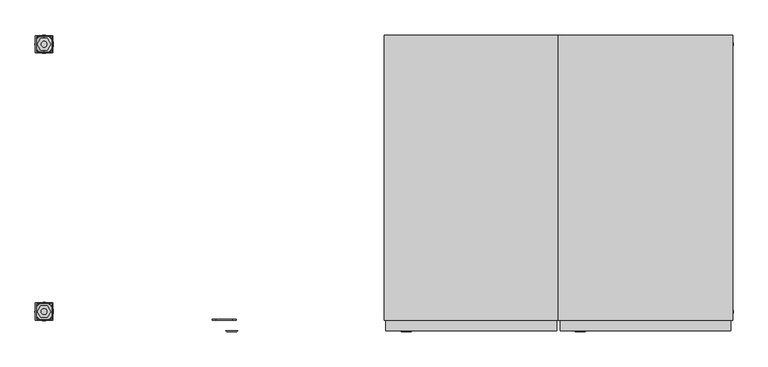
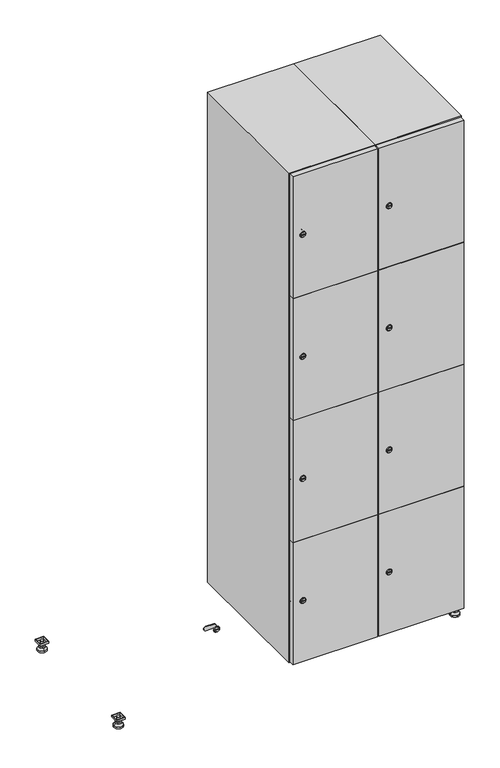
"""IFC4 building model written with IfcOpenShell, lengths in millimetres: furniture geometry."""

from ifc_helpers import new_model, si_unit, point, frame, frame_2d, origin, origin_with_axes, place, context, project, spatial, polyline, circle_curve, trimmed, segment, composite_curve, outline, extrude, faceted_brep, source, transform, mapped, element, save
from ifc_brep_helpers import plane_surface, revolved_surface, advanced_brep


def furniture_1b87c06c(model_context):
    return source(origin(), model_context, "Body", "SolidModel", [
        extrude(outline(polyline([(1000.0, 245.0), (1000.0, 215.0), (970.0, 215.0), (970.0, 245.0), (1000.0, 245.0)]), holes=[polyline([(998.0, 243.0), (972.0, 243.0), (972.0, 217.0), (998.0, 217.0), (998.0, 243.0)])]), frame((0.0, 0.0, 28.5), z_axis=(0.0, 0.0, 1.0), x_axis=(1.0, 0.0, 0.0)), (0.0, 0.0, 1.0), 6.5),
        extrude(outline(polyline([(970.0, -245.0), (970.0, -215.0), (1000.0, -215.0), (1000.0, -245.0), (970.0, -245.0)]), holes=[polyline([(972.0, -243.0), (998.0, -243.0), (998.0, -217.0), (972.0, -217.0), (972.0, -243.0)])]), frame((0.0, 0.0, 28.5), z_axis=(0.0, 0.0, 1.0), x_axis=(1.0, 0.0, 0.0)), (0.0, 0.0, 1.0), 6.5),
        extrude(outline(polyline([(-170.0, 245.0), (-170.0, 215.0), (-200.0, 215.0), (-200.0, 245.0), (-170.0, 245.0)]), holes=[polyline([(-172.0, 243.0), (-198.0, 243.0), (-198.0, 217.0), (-172.0, 217.0), (-172.0, 243.0)])]), frame((0.0, 0.0, 28.5), z_axis=(0.0, 0.0, 1.0), x_axis=(1.0, 0.0, 0.0)), (0.0, 0.0, 1.0), 6.5),
        extrude(outline(polyline([(-170.0, -215.0), (-170.0, -245.0), (-200.0, -245.0), (-200.0, -215.0), (-170.0, -215.0)]), holes=[polyline([(-198.0, -243.0), (-172.0, -243.0), (-172.0, -217.0), (-198.0, -217.0), (-198.0, -243.0)])]), frame((0.0, 0.0, 28.5), z_axis=(0.0, 0.0, 1.0), x_axis=(1.0, 0.0, 0.0)), (0.0, 0.0, 1.0), 6.5),
        extrude(outline(composite_curve([segment(trimmed(circle_curve(frame_2d((-185.0, 230.0)), 5.0), [point((-180.0, 230.0))], [point((-190.0, 230.0))], False, "CARTESIAN"), True, "CONTINUOUS"), segment(trimmed(circle_curve(frame_2d((-185.0, 230.0)), 5.0), [point((-190.0, 230.0))], [point((-180.0, 230.0))], False, "CARTESIAN"), True, "CONTINUOUS")], self_intersect=False)), frame((0.0, 0.0, 19.6), z_axis=(0.0, 0.0, 1.0), x_axis=(1.0, 0.0, 0.0)), (0.0, 0.0, 1.0), 15.4),
        extrude(outline(composite_curve([segment(trimmed(circle_curve(frame_2d((-185.0, -230.0)), 5.0), [point((-180.0, -230.0))], [point((-190.0, -230.0))], False, "CARTESIAN"), True, "CONTINUOUS"), segment(trimmed(circle_curve(frame_2d((-185.0, -230.0)), 5.0), [point((-190.0, -230.0))], [point((-180.0, -230.0))], False, "CARTESIAN"), True, "CONTINUOUS")], self_intersect=False)), frame((0.0, 0.0, 19.6), z_axis=(0.0, 0.0, 1.0), x_axis=(1.0, 0.0, 0.0)), (0.0, 0.0, 1.0), 15.4),
        extrude(outline(composite_curve([segment(trimmed(circle_curve(frame_2d((985.0, 230.0)), 5.0), [point((990.0, 230.0))], [point((980.0, 230.0))], False, "CARTESIAN"), True, "CONTINUOUS"), segment(trimmed(circle_curve(frame_2d((985.0, 230.0)), 5.0), [point((980.0, 230.0))], [point((990.0, 230.0))], False, "CARTESIAN"), True, "CONTINUOUS")], self_intersect=False)), frame((0.0, 0.0, 19.6), z_axis=(0.0, 0.0, 1.0), x_axis=(1.0, 0.0, 0.0)), (0.0, 0.0, 1.0), 15.4),
        extrude(outline(polyline([(973.4529946, 230.0), (979.2264973, 240.0), (990.7735027, 240.0), (996.5470054, 230.0), (990.7735027, 220.0), (979.2264973, 220.0), (973.4529946, 230.0)])), frame((0.0, 0.0, 13.6), z_axis=(0.0, 0.0, 1.0), x_axis=(1.0, 0.0, 0.0)), (0.0, 0.0, 1.0), 6.0),
        extrude(outline(composite_curve([segment(trimmed(circle_curve(frame_2d((985.0, -230.0)), 5.0), [point((990.0, -230.0))], [point((980.0, -230.0))], False, "CARTESIAN"), True, "CONTINUOUS"), segment(trimmed(circle_curve(frame_2d((985.0, -230.0)), 5.0), [point((980.0, -230.0))], [point((990.0, -230.0))], False, "CARTESIAN"), True, "CONTINUOUS")], self_intersect=False)), frame((0.0, 0.0, 19.6), z_axis=(0.0, 0.0, 1.0), x_axis=(1.0, 0.0, 0.0)), (0.0, 0.0, 1.0), 15.4),
        extrude(outline(polyline([(973.4529946, -230.0), (979.2264973, -220.0), (990.7735027, -220.0), (996.5470054, -230.0), (990.7735027, -240.0), (979.2264973, -240.0), (973.4529946, -230.0)])), frame((0.0, 0.0, 13.6), z_axis=(0.0, 0.0, 1.0), x_axis=(1.0, 0.0, 0.0)), (0.0, 0.0, 1.0), 6.0),
        extrude(outline(composite_curve([segment(trimmed(circle_curve(frame_2d((985.0, 230.0)), 5.0), [point((990.0, 230.0))], [point((980.0, 230.0))], False, "CARTESIAN"), True, "CONTINUOUS"), segment(trimmed(circle_curve(frame_2d((985.0, 230.0)), 5.0), [point((980.0, 230.0))], [point((990.0, 230.0))], False, "CARTESIAN"), True, "CONTINUOUS")], self_intersect=False)), frame((0.0, 0.0, 12.1), z_axis=(0.0, 0.0, 1.0), x_axis=(1.0, 0.0, 0.0)), (0.0, 0.0, 1.0), 1.5),
        extrude(outline(composite_curve([segment(trimmed(circle_curve(frame_2d((985.0, -230.0)), 5.0), [point((990.0, -230.0))], [point((980.0, -230.0))], False, "CARTESIAN"), True, "CONTINUOUS"), segment(trimmed(circle_curve(frame_2d((985.0, -230.0)), 5.0), [point((980.0, -230.0))], [point((990.0, -230.0))], False, "CARTESIAN"), True, "CONTINUOUS")], self_intersect=False)), frame((0.0, 0.0, 12.1), z_axis=(0.0, 0.0, 1.0), x_axis=(1.0, 0.0, 0.0)), (0.0, 0.0, 1.0), 1.5),
        extrude(outline(polyline([(-196.5470054, 230.0), (-190.7735027, 240.0), (-179.2264973, 240.0), (-173.4529946, 230.0), (-179.2264973, 220.0), (-190.7735027, 220.0), (-196.5470054, 230.0)])), frame((0.0, 0.0, 13.6), z_axis=(0.0, 0.0, 1.0), x_axis=(1.0, 0.0, 0.0)), (0.0, 0.0, 1.0), 6.0),
        extrude(outline(polyline([(-196.5470054, -230.0), (-190.7735027, -220.0), (-179.2264973, -220.0), (-173.4529946, -230.0), (-179.2264973, -240.0), (-190.7735027, -240.0), (-196.5470054, -230.0)])), frame((0.0, 0.0, 13.6), z_axis=(0.0, 0.0, 1.0), x_axis=(1.0, 0.0, 0.0)), (0.0, 0.0, 1.0), 6.0),
        extrude(outline(composite_curve([segment(trimmed(circle_curve(frame_2d((-185.0, 230.0)), 5.0), [point((-185.0, 235.0))], [point((-185.0, 225.0))], False, "CARTESIAN"), True, "CONTINUOUS"), segment(trimmed(circle_curve(frame_2d((-185.0, 230.0)), 5.0), [point((-185.0, 225.0))], [point((-185.0, 235.0))], False, "CARTESIAN"), True, "CONTINUOUS")], self_intersect=False)), frame((0.0, 0.0, 12.1), z_axis=(0.0, 0.0, 1.0), x_axis=(1.0, 0.0, 0.0)), (0.0, 0.0, 1.0), 1.5),
        extrude(outline(composite_curve([segment(trimmed(circle_curve(frame_2d((-185.0, -230.0)), 5.0), [point((-180.0, -230.0))], [point((-190.0, -230.0))], False, "CARTESIAN"), True, "CONTINUOUS"), segment(trimmed(circle_curve(frame_2d((-185.0, -230.0)), 5.0), [point((-190.0, -230.0))], [point((-180.0, -230.0))], False, "CARTESIAN"), True, "CONTINUOUS")], self_intersect=False)), frame((0.0, 0.0, 12.1), z_axis=(0.0, 0.0, 1.0), x_axis=(1.0, 0.0, 0.0)), (0.0, 0.0, 1.0), 1.5),
        extrude(outline(composite_curve([segment(trimmed(circle_curve(frame_2d((985.0, 230.0)), 15.75), [point((1000.75, 230.0))], [point((969.25, 230.0))], False, "CARTESIAN"), True, "CONTINUOUS"), segment(trimmed(circle_curve(frame_2d((985.0, 230.0)), 15.75), [point((969.25, 230.0))], [point((1000.75, 230.0))], False, "CARTESIAN"), True, "CONTINUOUS")], self_intersect=False)), origin_with_axes(), (0.0, 0.0, 1.0), 5.1),
        extrude(outline(composite_curve([segment(trimmed(circle_curve(frame_2d((985.0, -230.0)), 15.75), [point((985.0, -214.25))], [point((985.0, -245.75))], False, "CARTESIAN"), True, "CONTINUOUS"), segment(trimmed(circle_curve(frame_2d((985.0, -230.0)), 15.75), [point((985.0, -245.75))], [point((985.0, -214.25))], False, "CARTESIAN"), True, "CONTINUOUS")], self_intersect=False)), origin_with_axes(), (0.0, 0.0, 1.0), 5.1),
        extrude(outline(composite_curve([segment(trimmed(circle_curve(frame_2d((-185.0, -230.0)), 15.75), [point((-169.25, -230.0))], [point((-200.75, -230.0))], False, "CARTESIAN"), True, "CONTINUOUS"), segment(trimmed(circle_curve(frame_2d((-185.0, -230.0)), 15.75), [point((-200.75, -230.0))], [point((-169.25, -230.0))], False, "CARTESIAN"), True, "CONTINUOUS")], self_intersect=False)), origin_with_axes(), (0.0, 0.0, 1.0), 5.1),
        extrude(outline(composite_curve([segment(trimmed(circle_curve(frame_2d((-185.0, 230.0)), 15.75), [point((-169.25, 230.0))], [point((-200.75, 230.0))], False, "CARTESIAN"), True, "CONTINUOUS"), segment(trimmed(circle_curve(frame_2d((-185.0, 230.0)), 15.75), [point((-200.75, 230.0))], [point((-169.25, 230.0))], False, "CARTESIAN"), True, "CONTINUOUS")], self_intersect=False)), origin_with_axes(), (0.0, 0.0, 1.0), 5.1),
        advanced_brep(
        [(-185.0, 239.5, 12.1), (-185.0, 220.5, 12.1), (-185.0, 214.25, 5.1), (-185.0, 245.75, 5.1)],
        [
            (0, 1, circle_curve(frame((-185.0, 230.0, 12.1), z_axis=(0.0, 0.0, -1.0), x_axis=(0.0, 1.0, 0.0)), 9.5)),
            (1, 2),
            (2, 3, circle_curve(frame((-185.0, 230.0, 5.1), z_axis=(0.0, 0.0, 1.0), x_axis=(0.0, 1.0, 0.0)), 15.75)),
            (3, 0),
            (1, 0, circle_curve(frame((-185.0, 230.0, 12.1), z_axis=(0.0, 0.0, -1.0), x_axis=(0.0, -1.0, 0.0)), 9.5)),
            (3, 2, circle_curve(frame((-185.0, 230.0, 5.1), z_axis=(0.0, 0.0, 1.0), x_axis=(0.0, -1.0, 0.0)), 15.75)),
        ],
        [
            revolved_surface(polyline([(-185.0, 220.5, 12.099999999999998), (-185.0, 214.25, 5.099999999999998)]), (-185.0, 230.0, 22.74), (0.0, 0.0, -1.0)),
            revolved_surface(polyline([(-185.0, 239.5, 12.099999999999998), (-185.0, 245.75, 5.099999999999998)]), (-185.0, 230.0, 22.74), (0.0, 0.0, -1.0)),
            plane_surface(frame((-185.0, 230.0, 5.1), z_axis=(0.0, 0.0, -1.0), x_axis=(1.0, 0.0, 0.0))),
            plane_surface(frame((-185.0, 230.0, 12.1), z_axis=(0.0, 0.0, 1.0), x_axis=(1.0, 0.0, 0.0))),
        ],
        [
            (0, [[1, 2, 3, 4]]),
            (1, [[5, -4, 6, -2]]),
            (2, [[-3, -6]]),
            (3, [[-5, -1]]),
        ],
    ),
        advanced_brep(
        [(985.0, 239.5, 12.1), (985.0, 220.5, 12.1), (985.0, 214.25, 5.1), (985.0, 245.75, 5.1)],
        [
            (0, 1, circle_curve(frame((985.0, 230.0, 12.1), z_axis=(0.0, 0.0, -1.0), x_axis=(0.0, 1.0, 0.0)), 9.5)),
            (1, 2),
            (2, 3, circle_curve(frame((985.0, 230.0, 5.1), z_axis=(0.0, 0.0, 1.0), x_axis=(0.0, 1.0, 0.0)), 15.75)),
            (3, 0),
            (1, 0, circle_curve(frame((985.0, 230.0, 12.1), z_axis=(0.0, 0.0, -1.0), x_axis=(0.0, -1.0, 0.0)), 9.5)),
            (3, 2, circle_curve(frame((985.0, 230.0, 5.1), z_axis=(0.0, 0.0, 1.0), x_axis=(0.0, -1.0, 0.0)), 15.75)),
        ],
        [
            revolved_surface(polyline([(985.0, 220.5, 12.099999999999998), (985.0, 214.25, 5.099999999999998)]), (985.0, 230.0, 22.74), (0.0, 0.0, -1.0)),
            revolved_surface(polyline([(985.0, 239.5, 12.099999999999998), (985.0, 245.75, 5.099999999999998)]), (985.0, 230.0, 22.74), (0.0, 0.0, -1.0)),
            plane_surface(frame((985.0, 230.0, 5.1), z_axis=(0.0, 0.0, -1.0), x_axis=(1.0, 0.0, 0.0))),
            plane_surface(frame((985.0, 230.0, 12.1), z_axis=(0.0, 0.0, 1.0), x_axis=(1.0, 0.0, 0.0))),
        ],
        [
            (0, [[1, 2, 3, 4]]),
            (1, [[5, -4, 6, -2]]),
            (2, [[-3, -6]]),
            (3, [[-5, -1]]),
        ],
    ),
        advanced_brep(
        [(1000.75, -230.0, 5.1), (969.25, -230.0, 5.1), (975.5, -230.0, 12.1), (994.5, -230.0, 12.1)],
        [
            (0, 1, circle_curve(frame((985.0, -230.0, 5.1), z_axis=(0.0, 0.0, 1.0), x_axis=(1.0, 0.0, 0.0)), 15.75)),
            (1, 2),
            (2, 3, circle_curve(frame((985.0, -230.0, 12.1), z_axis=(0.0, 0.0, -1.0), x_axis=(1.0, 0.0, 0.0)), 9.5)),
            (3, 0),
            (1, 0, circle_curve(frame((985.0, -230.0, 5.1), z_axis=(0.0, 0.0, 1.0), x_axis=(-1.0, 0.0, 0.0)), 15.75)),
            (3, 2, circle_curve(frame((985.0, -230.0, 12.1), z_axis=(0.0, 0.0, -1.0), x_axis=(-1.0, 0.0, 0.0)), 9.5)),
        ],
        [
            revolved_surface(polyline([(994.5, -230.0, 12.099999999999998), (1000.75, -230.0, 5.099999999999998)]), (985.0, -230.0, 22.74), (0.0, 0.0, -1.0)),
            revolved_surface(polyline([(975.5, -230.0, 12.099999999999998), (969.25, -230.0, 5.099999999999998)]), (985.0, -230.0, 22.74), (0.0, 0.0, -1.0)),
            plane_surface(frame((985.0, -230.0, 12.1), z_axis=(0.0, 0.0, 1.0), x_axis=(0.0, 1.0, 0.0))),
            plane_surface(frame((985.0, -230.0, 5.1), z_axis=(0.0, 0.0, -1.0), x_axis=(0.0, 1.0, 0.0))),
        ],
        [
            (0, [[1, 2, 3, 4]]),
            (1, [[5, -4, 6, -2]]),
            (2, [[-3, -6]]),
            (3, [[-5, -1]]),
        ],
    ),
        advanced_brep(
        [(-169.25, -230.0, 5.1), (-200.75, -230.0, 5.1), (-194.5, -230.0, 12.1), (-175.5, -230.0, 12.1)],
        [
            (0, 1, circle_curve(frame((-185.0, -230.0, 5.1), z_axis=(0.0, 0.0, 1.0), x_axis=(1.0, 0.0, 0.0)), 15.75)),
            (1, 2),
            (2, 3, circle_curve(frame((-185.0, -230.0, 12.1), z_axis=(0.0, 0.0, -1.0), x_axis=(1.0, 0.0, 0.0)), 9.5)),
            (3, 0),
            (1, 0, circle_curve(frame((-185.0, -230.0, 5.1), z_axis=(0.0, 0.0, 1.0), x_axis=(-1.0, 0.0, 0.0)), 15.75)),
            (3, 2, circle_curve(frame((-185.0, -230.0, 12.1), z_axis=(0.0, 0.0, -1.0), x_axis=(-1.0, 0.0, 0.0)), 9.5)),
        ],
        [
            revolved_surface(polyline([(-175.5, -230.0, 12.099999999999998), (-169.25, -230.0, 5.099999999999998)]), (-185.0, -230.0, 22.74), (0.0, 0.0, -1.0)),
            revolved_surface(polyline([(-194.5, -230.0, 12.099999999999998), (-200.75, -230.0, 5.099999999999998)]), (-185.0, -230.0, 22.74), (0.0, 0.0, -1.0)),
            plane_surface(frame((-185.0, -230.0, 12.1), z_axis=(0.0, 0.0, 1.0), x_axis=(0.0, 1.0, 0.0))),
            plane_surface(frame((-185.0, -230.0, 5.1), z_axis=(0.0, 0.0, -1.0), x_axis=(0.0, 1.0, 0.0))),
        ],
        [
            (0, [[1, 2, 3, 4]]),
            (1, [[5, -4, 6, -2]]),
            (2, [[-3, -6]]),
            (3, [[-5, -1]]),
        ],
    ),
        extrude(outline(composite_curve([segment(trimmed(circle_curve(frame_2d((262.25, 711.2010534)), 7.0), [point((269.25, 711.2010534))], [point((255.25, 711.2010534))], False, "CARTESIAN"), True, "CONTINUOUS"), segment(polyline([(255.25, 711.2010534), (255.25, 739.2010534)]), True, "CONTINUOUS"), segment(trimmed(circle_curve(frame_2d((262.25, 739.2010534)), 7.0), [point((255.25, 739.2010534))], [point((269.25, 739.2010534))], False, "CARTESIAN"), True, "CONTINUOUS"), segment(polyline([(269.25, 739.2010534), (269.25, 711.2010534)]), True, "CONTINUOUS")], self_intersect=False)), frame((0.0, -245.0, 0.0), z_axis=(0.0, 1.0, 0.0), x_axis=(0.0, 0.0, 1.0)), (0.0, 0.0, 1.0), 2.0),
        advanced_brep(
        [(746.5, -265.2, 262.25), (729.5, -265.2, 262.25), (733.0, -265.2, 261.0), (733.0, -265.2, 263.5), (743.0, -265.2, 263.5), (743.0, -265.2, 261.0), (748.5, -263.0, 262.25), (727.5, -263.0, 262.25), (733.0, -263.0, 263.5), (733.0, -263.0, 261.0), (743.0, -263.0, 261.0), (743.0, -263.0, 263.5)],
        [
            (0, 1, circle_curve(frame((738.0, -265.2, 262.25), z_axis=(0.0, -1.0, 0.0), x_axis=(1.0, 0.0, 0.0)), 8.5)),
            (1, 0, circle_curve(frame((738.0, -265.2, 262.25), z_axis=(0.0, -1.0, 0.0), x_axis=(-1.0, 0.0, 0.0)), 8.5)),
            (2, 3),
            (3, 4),
            (4, 5),
            (5, 2),
            (6, 7, circle_curve(frame((738.0, -263.0, 262.25), z_axis=(0.0, 1.0, 0.0), x_axis=(-1.0, 0.0, 0.0)), 10.5)),
            (7, 6, circle_curve(frame((738.0, -263.0, 262.25), z_axis=(0.0, 1.0, 0.0), x_axis=(1.0, 0.0, 0.0)), 10.5)),
            (8, 9),
            (9, 10),
            (10, 11),
            (11, 8),
            (0, 6),
            (7, 1),
            (8, 3),
            (2, 9),
            (11, 4),
            (10, 5),
        ],
        [
            plane_surface(frame((738.0, -265.2, 262.25), z_axis=(0.0, -1.0, 0.0), x_axis=(0.0, 0.0, 1.0))),
            plane_surface(frame((738.0, -263.0, 262.25), z_axis=(0.0, 1.0, 0.0), x_axis=(0.0, 0.0, 1.0))),
            revolved_surface(polyline([(746.5, -265.2, 262.25), (748.5, -263.0, 262.25)]), (738.0, -274.55, 262.25), (0.0, 1.0, 0.0)),
            revolved_surface(polyline([(729.5, -265.2, 262.25), (727.5, -263.0, 262.25)]), (738.0, -274.55, 262.25), (0.0, 1.0, 0.0)),
            plane_surface(frame((733.0, -263.0, 261.0), z_axis=(1.0, 0.0, 0.0), x_axis=(0.0, -1.0, 0.0))),
            plane_surface(frame((733.0, -263.0, 263.5), z_axis=(0.0, 0.0, -1.0), x_axis=(0.0, -1.0, 0.0))),
            plane_surface(frame((743.0, -263.0, 263.5), z_axis=(-1.0, 0.0, 0.0), x_axis=(0.0, -1.0, 0.0))),
            plane_surface(frame((743.0, -263.0, 261.0), z_axis=(0.0, 0.0, 1.0), x_axis=(0.0, -1.0, 0.0))),
        ],
        [
            (0, [[1, 2], [3, 4, 5, 6]]),
            (1, [[7, 8], [9, 10, 11, 12]]),
            (2, [[-1, 13, -8, 14]]),
            (3, [[-2, -14, -7, -13]]),
            (4, [[15, -3, 16, -9]]),
            (5, [[-15, -12, 17, -4]]),
            (6, [[-17, -11, 18, -5]]),
            (7, [[-16, -6, -18, -10]]),
        ],
    ),
        extrude(outline(composite_curve([segment(trimmed(circle_curve(frame_2d((710.75, 711.2010534)), 7.0), [point((717.75, 711.2010534))], [point((703.75, 711.2010534))], False, "CARTESIAN"), True, "CONTINUOUS"), segment(polyline([(703.75, 711.2010534), (703.75, 739.2010534)]), True, "CONTINUOUS"), segment(trimmed(circle_curve(frame_2d((710.75, 739.2010534)), 7.0), [point((703.75, 739.2010534))], [point((717.75, 739.2010534))], False, "CARTESIAN"), True, "CONTINUOUS"), segment(polyline([(717.75, 739.2010534), (717.75, 711.2010534)]), True, "CONTINUOUS")], self_intersect=False)), frame((0.0, -245.0, 0.0), z_axis=(0.0, 1.0, 0.0), x_axis=(0.0, 0.0, 1.0)), (0.0, 0.0, 1.0), 2.0),
        advanced_brep(
        [(746.5, -265.2, 710.75), (729.5, -265.2, 710.75), (733.0, -265.2, 709.5), (733.0, -265.2, 712.0), (743.0, -265.2, 712.0), (743.0, -265.2, 709.5), (748.5, -263.0, 710.75), (727.5, -263.0, 710.75), (733.0, -263.0, 712.0), (733.0, -263.0, 709.5), (743.0, -263.0, 709.5), (743.0, -263.0, 712.0)],
        [
            (0, 1, circle_curve(frame((738.0, -265.2, 710.75), z_axis=(0.0, -1.0, 0.0), x_axis=(1.0, 0.0, 0.0)), 8.5)),
            (1, 0, circle_curve(frame((738.0, -265.2, 710.75), z_axis=(0.0, -1.0, 0.0), x_axis=(-1.0, 0.0, 0.0)), 8.5)),
            (2, 3),
            (3, 4),
            (4, 5),
            (5, 2),
            (6, 7, circle_curve(frame((738.0, -263.0, 710.75), z_axis=(0.0, 1.0, 0.0), x_axis=(-1.0, 0.0, 0.0)), 10.5)),
            (7, 6, circle_curve(frame((738.0, -263.0, 710.75), z_axis=(0.0, 1.0, 0.0), x_axis=(1.0, 0.0, 0.0)), 10.5)),
            (8, 9),
            (9, 10),
            (10, 11),
            (11, 8),
            (0, 6),
            (7, 1),
            (8, 3),
            (2, 9),
            (11, 4),
            (10, 5),
        ],
        [
            plane_surface(frame((738.0, -265.2, 710.75), z_axis=(0.0, -1.0, 0.0), x_axis=(0.0, 0.0, 1.0))),
            plane_surface(frame((738.0, -263.0, 710.75), z_axis=(0.0, 1.0, 0.0), x_axis=(0.0, 0.0, 1.0))),
            revolved_surface(polyline([(746.5, -265.2, 710.75), (748.5, -263.0, 710.75)]), (738.0, -274.55, 710.75), (0.0, 1.0, 0.0)),
            revolved_surface(polyline([(729.5, -265.2, 710.75), (727.5, -263.0, 710.75)]), (738.0, -274.55, 710.75), (0.0, 1.0, 0.0)),
            plane_surface(frame((733.0, -263.0, 709.5), z_axis=(1.0, 0.0, 0.0), x_axis=(0.0, -1.0, 0.0))),
            plane_surface(frame((733.0, -263.0, 712.0), z_axis=(0.0, 0.0, -1.0), x_axis=(0.0, -1.0, 0.0))),
            plane_surface(frame((743.0, -263.0, 712.0), z_axis=(-1.0, 0.0, 0.0), x_axis=(0.0, -1.0, 0.0))),
            plane_surface(frame((743.0, -263.0, 709.5), z_axis=(0.0, 0.0, 1.0), x_axis=(0.0, -1.0, 0.0))),
        ],
        [
            (0, [[1, 2], [3, 4, 5, 6]]),
            (1, [[7, 8], [9, 10, 11, 12]]),
            (2, [[-1, 13, -8, 14]]),
            (3, [[-2, -14, -7, -13]]),
            (4, [[15, -3, 16, -9]]),
            (5, [[-15, -12, 17, -4]]),
            (6, [[-17, -11, 18, -5]]),
            (7, [[-16, -6, -18, -10]]),
        ],
    ),
        extrude(outline(composite_curve([segment(trimmed(circle_curve(frame_2d((1159.25, 711.2010534)), 7.0), [point((1166.25, 711.2010534))], [point((1152.25, 711.2010534))], False, "CARTESIAN"), True, "CONTINUOUS"), segment(polyline([(1152.25, 711.2010534), (1152.25, 739.2010534)]), True, "CONTINUOUS"), segment(trimmed(circle_curve(frame_2d((1159.25, 739.2010534)), 7.0), [point((1152.25, 739.2010534))], [point((1166.25, 739.2010534))], False, "CARTESIAN"), True, "CONTINUOUS"), segment(polyline([(1166.25, 739.2010534), (1166.25, 711.2010534)]), True, "CONTINUOUS")], self_intersect=False)), frame((0.0, -245.0, 0.0), z_axis=(0.0, 1.0, 0.0), x_axis=(0.0, 0.0, 1.0)), (0.0, 0.0, 1.0), 2.0),
        advanced_brep(
        [(746.5, -265.2, 1159.25), (729.5, -265.2, 1159.25), (733.0, -265.2, 1158.0), (733.0, -265.2, 1160.5), (743.0, -265.2, 1160.5), (743.0, -265.2, 1158.0), (748.5, -263.0, 1159.25), (727.5, -263.0, 1159.25), (733.0, -263.0, 1160.5), (733.0, -263.0, 1158.0), (743.0, -263.0, 1158.0), (743.0, -263.0, 1160.5)],
        [
            (0, 1, circle_curve(frame((738.0, -265.2, 1159.25), z_axis=(0.0, -1.0, 0.0), x_axis=(1.0, 0.0, 0.0)), 8.5)),
            (1, 0, circle_curve(frame((738.0, -265.2, 1159.25), z_axis=(0.0, -1.0, 0.0), x_axis=(-1.0, 0.0, 0.0)), 8.5)),
            (2, 3),
            (3, 4),
            (4, 5),
            (5, 2),
            (6, 7, circle_curve(frame((738.0, -263.0, 1159.25), z_axis=(0.0, 1.0, 0.0), x_axis=(-1.0, 0.0, 0.0)), 10.5)),
            (7, 6, circle_curve(frame((738.0, -263.0, 1159.25), z_axis=(0.0, 1.0, 0.0), x_axis=(1.0, 0.0, 0.0)), 10.5)),
            (8, 9),
            (9, 10),
            (10, 11),
            (11, 8),
            (0, 6),
            (7, 1),
            (8, 3),
            (2, 9),
            (11, 4),
            (10, 5),
        ],
        [
            plane_surface(frame((738.0, -265.2, 1159.25), z_axis=(0.0, -1.0, 0.0), x_axis=(0.0, 0.0, 1.0))),
            plane_surface(frame((738.0, -263.0, 1159.25), z_axis=(0.0, 1.0, 0.0), x_axis=(0.0, 0.0, 1.0))),
            revolved_surface(polyline([(746.5, -265.2, 1159.25), (748.5, -263.0, 1159.25)]), (738.0, -274.55, 1159.25), (0.0, 1.0, 0.0)),
            revolved_surface(polyline([(729.5, -265.2, 1159.25), (727.5, -263.0, 1159.25)]), (738.0, -274.55, 1159.25), (0.0, 1.0, 0.0)),
            plane_surface(frame((733.0, -263.0, 1158.0), z_axis=(1.0, 0.0, 0.0), x_axis=(0.0, -1.0, 0.0))),
            plane_surface(frame((733.0, -263.0, 1160.5), z_axis=(0.0, 0.0, -1.0), x_axis=(0.0, -1.0, 0.0))),
            plane_surface(frame((743.0, -263.0, 1160.5), z_axis=(-1.0, 0.0, 0.0), x_axis=(0.0, -1.0, 0.0))),
            plane_surface(frame((743.0, -263.0, 1158.0), z_axis=(0.0, 0.0, 1.0), x_axis=(0.0, -1.0, 0.0))),
        ],
        [
            (0, [[1, 2], [3, 4, 5, 6]]),
            (1, [[7, 8], [9, 10, 11, 12]]),
            (2, [[-1, 13, -8, 14]]),
            (3, [[-2, -14, -7, -13]]),
            (4, [[15, -3, 16, -9]]),
            (5, [[-15, -12, 17, -4]]),
            (6, [[-17, -11, 18, -5]]),
            (7, [[-16, -6, -18, -10]]),
        ],
    ),
        extrude(outline(composite_curve([segment(trimmed(circle_curve(frame_2d((1607.75, 711.2010534)), 7.0), [point((1614.75, 711.2010534))], [point((1600.75, 711.2010534))], False, "CARTESIAN"), True, "CONTINUOUS"), segment(polyline([(1600.75, 711.2010534), (1600.75, 739.2010534)]), True, "CONTINUOUS"), segment(trimmed(circle_curve(frame_2d((1607.75, 739.2010534)), 7.0), [point((1600.75, 739.2010534))], [point((1614.75, 739.2010534))], False, "CARTESIAN"), True, "CONTINUOUS"), segment(polyline([(1614.75, 739.2010534), (1614.75, 711.2010534)]), True, "CONTINUOUS")], self_intersect=False)), frame((0.0, -245.0, 0.0), z_axis=(0.0, 1.0, 0.0), x_axis=(0.0, 0.0, 1.0)), (0.0, 0.0, 1.0), 2.0),
        advanced_brep(
        [(746.5, -265.2, 1607.75), (729.5, -265.2, 1607.75), (733.0, -265.2, 1606.5), (733.0, -265.2, 1609.0), (743.0, -265.2, 1609.0), (743.0, -265.2, 1606.5), (748.5, -263.0, 1607.75), (727.5, -263.0, 1607.75), (733.0, -263.0, 1609.0), (733.0, -263.0, 1606.5), (743.0, -263.0, 1606.5), (743.0, -263.0, 1609.0)],
        [
            (0, 1, circle_curve(frame((738.0, -265.2, 1607.75), z_axis=(0.0, -1.0, 0.0), x_axis=(1.0, 0.0, 0.0)), 8.5)),
            (1, 0, circle_curve(frame((738.0, -265.2, 1607.75), z_axis=(0.0, -1.0, 0.0), x_axis=(-1.0, 0.0, 0.0)), 8.5)),
            (2, 3),
            (3, 4),
            (4, 5),
            (5, 2),
            (6, 7, circle_curve(frame((738.0, -263.0, 1607.75), z_axis=(0.0, 1.0, 0.0), x_axis=(-1.0, 0.0, 0.0)), 10.5)),
            (7, 6, circle_curve(frame((738.0, -263.0, 1607.75), z_axis=(0.0, 1.0, 0.0), x_axis=(1.0, 0.0, 0.0)), 10.5)),
            (8, 9),
            (9, 10),
            (10, 11),
            (11, 8),
            (0, 6),
            (7, 1),
            (8, 3),
            (2, 9),
            (11, 4),
            (10, 5),
        ],
        [
            plane_surface(frame((738.0, -265.2, 1607.75), z_axis=(0.0, -1.0, 0.0), x_axis=(0.0, 0.0, 1.0))),
            plane_surface(frame((738.0, -263.0, 1607.75), z_axis=(0.0, 1.0, 0.0), x_axis=(0.0, 0.0, 1.0))),
            revolved_surface(polyline([(746.5, -265.2, 1607.75), (748.5, -263.0, 1607.75)]), (738.0, -274.55, 1607.75), (0.0, 1.0, 0.0)),
            revolved_surface(polyline([(729.5, -265.2, 1607.75), (727.5, -263.0, 1607.75)]), (738.0, -274.55, 1607.75), (0.0, 1.0, 0.0)),
            plane_surface(frame((733.0, -263.0, 1606.5), z_axis=(1.0, 0.0, 0.0), x_axis=(0.0, -1.0, 0.0))),
            plane_surface(frame((733.0, -263.0, 1609.0), z_axis=(0.0, 0.0, -1.0), x_axis=(0.0, -1.0, 0.0))),
            plane_surface(frame((743.0, -263.0, 1609.0), z_axis=(-1.0, 0.0, 0.0), x_axis=(0.0, -1.0, 0.0))),
            plane_surface(frame((743.0, -263.0, 1606.5), z_axis=(0.0, 0.0, 1.0), x_axis=(0.0, -1.0, 0.0))),
        ],
        [
            (0, [[1, 2], [3, 4, 5, 6]]),
            (1, [[7, 8], [9, 10, 11, 12]]),
            (2, [[-1, 13, -8, 14]]),
            (3, [[-2, -14, -7, -13]]),
            (4, [[15, -3, 16, -9]]),
            (5, [[-15, -12, 17, -4]]),
            (6, [[-17, -11, 18, -5]]),
            (7, [[-16, -6, -18, -10]]),
        ],
    ),
        extrude(outline(polyline([(997.0, -245.0), (997.0, -263.0), (703.0, -263.0), (703.0, -245.0), (997.0, -245.0)])), frame((0.0, 0.0, 486.0), z_axis=(0.0, 0.0, 1.0), x_axis=(1.0, 0.0, 0.0)), (0.0, 0.0, 1.0), 448.5),
        extrude(outline(polyline([(997.0, -245.0), (997.0, -263.0), (703.0, -263.0), (703.0, -245.0), (997.0, -245.0)])), frame((0.0, 0.0, 935.5), z_axis=(0.0, 0.0, 1.0), x_axis=(1.0, 0.0, 0.0)), (0.0, 0.0, 1.0), 447.5),
        extrude(outline(polyline([(703.0, -263.0), (703.0, -245.0), (997.0, -245.0), (997.0, -263.0), (703.0, -263.0)])), frame((0.0, 0.0, 1384.0), z_axis=(0.0, 0.0, 1.0), x_axis=(1.0, 0.0, 0.0)), (0.0, 0.0, 1.0), 448.0),
        extrude(outline(polyline([(997.0, -245.0), (997.0, -263.0), (703.0, -263.0), (703.0, -245.0), (997.0, -245.0)])), frame((0.0, 0.0, 38.0), z_axis=(0.0, 0.0, 1.0), x_axis=(1.0, 0.0, 0.0)), (0.0, 0.0, 1.0), 449.0),
        extrude(outline(polyline([(979.6, 242.0), (979.6, -227.0), (720.4, -227.0), (720.4, 242.0), (979.6, 242.0)])), frame((0.0, 0.0, 1359.7), z_axis=(0.0, 0.0, 1.0), x_axis=(1.0, 0.0, 0.0)), (0.0, 0.0, 1.0), 20.4),
        extrude(outline(polyline([(979.6, 242.0), (979.6, -227.0), (720.4, -227.0), (720.4, 242.0), (979.6, 242.0)])), frame((0.0, 0.0, 924.8), z_axis=(0.0, 0.0, 1.0), x_axis=(1.0, 0.0, 0.0)), (0.0, 0.0, 1.0), 20.4),
        extrude(outline(polyline([(979.6, 242.0), (979.6, -227.0), (720.4, -227.0), (720.4, 242.0), (979.6, 242.0)])), frame((0.0, 0.0, 489.9), z_axis=(0.0, 0.0, 1.0), x_axis=(1.0, 0.0, 0.0)), (0.0, 0.0, 1.0), 20.4),
        faceted_brep([(1000.0, -245.0, 35.0), (1000.0, -245.0, 1835.0), (700.0, -245.0, 1835.0), (700.0, -245.0, 35.0), (979.6, -245.0, 1804.8), (979.6, -245.0, 65.2), (720.4, -245.0, 65.2), (720.4, -245.0, 1804.8), (1000.0, 245.0, 35.0), (700.0, 245.0, 35.0), (1000.0, 245.0, 1835.0), (700.0, 245.0, 1835.0), (979.6, 242.0, 1804.8), (979.6, 242.0, 65.2), (700.0, 245.0, 1804.8), (720.4, 242.0, 1804.8), (720.4, 242.0, 65.2)], [[[0, 1, 2, 3], [4, 5, 6, 7]], [[8, 0, 3, 9]], [[1, 0, 8, 10]], [[1, 10, 11, 2]], [[4, 12, 13, 5]], [[9, 3, 2, 11, 14]], [[10, 8, 9, 14, 11]], [[12, 15, 16, 13]], [[15, 7, 6, 16]], [[4, 7, 15, 12]], [[6, 5, 13, 16]]]),
        extrude(outline(composite_curve([segment(trimmed(circle_curve(frame_2d((262.25, 411.2010534)), 7.0), [point((269.25, 411.2010534))], [point((255.25, 411.2010534))], False, "CARTESIAN"), True, "CONTINUOUS"), segment(polyline([(255.25, 411.2010534), (255.25, 439.2010534)]), True, "CONTINUOUS"), segment(trimmed(circle_curve(frame_2d((262.25, 439.2010534)), 7.0), [point((255.25, 439.2010534))], [point((269.25, 439.2010534))], False, "CARTESIAN"), True, "CONTINUOUS"), segment(polyline([(269.25, 439.2010534), (269.25, 411.2010534)]), True, "CONTINUOUS")], self_intersect=False)), frame((0.0, -245.0, 0.0), z_axis=(0.0, 1.0, 0.0), x_axis=(0.0, 0.0, 1.0)), (0.0, 0.0, 1.0), 2.0),
        advanced_brep(
        [(446.5, -265.2, 262.25), (429.5, -265.2, 262.25), (433.0, -265.2, 261.0), (433.0, -265.2, 263.5), (443.0, -265.2, 263.5), (443.0, -265.2, 261.0), (448.5, -263.0, 262.25), (427.5, -263.0, 262.25), (433.0, -263.0, 263.5), (433.0, -263.0, 261.0), (443.0, -263.0, 261.0), (443.0, -263.0, 263.5)],
        [
            (0, 1, circle_curve(frame((438.0, -265.2, 262.25), z_axis=(0.0, -1.0, 0.0), x_axis=(1.0, 0.0, 0.0)), 8.5)),
            (1, 0, circle_curve(frame((438.0, -265.2, 262.25), z_axis=(0.0, -1.0, 0.0), x_axis=(-1.0, 0.0, 0.0)), 8.5)),
            (2, 3),
            (3, 4),
            (4, 5),
            (5, 2),
            (6, 7, circle_curve(frame((438.0, -263.0, 262.25), z_axis=(0.0, 1.0, 0.0), x_axis=(-1.0, 0.0, 0.0)), 10.5)),
            (7, 6, circle_curve(frame((438.0, -263.0, 262.25), z_axis=(0.0, 1.0, 0.0), x_axis=(1.0, 0.0, 0.0)), 10.5)),
            (8, 9),
            (9, 10),
            (10, 11),
            (11, 8),
            (0, 6),
            (7, 1),
            (8, 3),
            (2, 9),
            (11, 4),
            (10, 5),
        ],
        [
            plane_surface(frame((438.0, -265.2, 262.25), z_axis=(0.0, -1.0, 0.0), x_axis=(0.0, 0.0, 1.0))),
            plane_surface(frame((438.0, -263.0, 262.25), z_axis=(0.0, 1.0, 0.0), x_axis=(0.0, 0.0, 1.0))),
            revolved_surface(polyline([(446.5, -265.2, 262.25), (448.5, -263.0, 262.25)]), (438.0, -274.55, 262.25), (0.0, 1.0, 0.0)),
            revolved_surface(polyline([(429.5, -265.2, 262.25), (427.5, -263.0, 262.25)]), (438.0, -274.55, 262.25), (0.0, 1.0, 0.0)),
            plane_surface(frame((433.0, -263.0, 261.0), z_axis=(1.0, 0.0, 0.0), x_axis=(0.0, -1.0, 0.0))),
            plane_surface(frame((433.0, -263.0, 263.5), z_axis=(0.0, 0.0, -1.0), x_axis=(0.0, -1.0, 0.0))),
            plane_surface(frame((443.0, -263.0, 263.5), z_axis=(-1.0, 0.0, 0.0), x_axis=(0.0, -1.0, 0.0))),
            plane_surface(frame((443.0, -263.0, 261.0), z_axis=(0.0, 0.0, 1.0), x_axis=(0.0, -1.0, 0.0))),
        ],
        [
            (0, [[1, 2], [3, 4, 5, 6]]),
            (1, [[7, 8], [9, 10, 11, 12]]),
            (2, [[-1, 13, -8, 14]]),
            (3, [[-2, -14, -7, -13]]),
            (4, [[15, -3, 16, -9]]),
            (5, [[-15, -12, 17, -4]]),
            (6, [[-17, -11, 18, -5]]),
            (7, [[-16, -6, -18, -10]]),
        ],
    ),
        extrude(outline(composite_curve([segment(trimmed(circle_curve(frame_2d((710.75, 411.2010534)), 7.0), [point((717.75, 411.2010534))], [point((703.75, 411.2010534))], False, "CARTESIAN"), True, "CONTINUOUS"), segment(polyline([(703.75, 411.2010534), (703.75, 439.2010534)]), True, "CONTINUOUS"), segment(trimmed(circle_curve(frame_2d((710.75, 439.2010534)), 7.0), [point((703.75, 439.2010534))], [point((717.75, 439.2010534))], False, "CARTESIAN"), True, "CONTINUOUS"), segment(polyline([(717.75, 439.2010534), (717.75, 411.2010534)]), True, "CONTINUOUS")], self_intersect=False)), frame((0.0, -245.0, 0.0), z_axis=(0.0, 1.0, 0.0), x_axis=(0.0, 0.0, 1.0)), (0.0, 0.0, 1.0), 2.0),
        advanced_brep(
        [(446.5, -265.2, 710.75), (429.5, -265.2, 710.75), (433.0, -265.2, 709.5), (433.0, -265.2, 712.0), (443.0, -265.2, 712.0), (443.0, -265.2, 709.5), (448.5, -263.0, 710.75), (427.5, -263.0, 710.75), (433.0, -263.0, 712.0), (433.0, -263.0, 709.5), (443.0, -263.0, 709.5), (443.0, -263.0, 712.0)],
        [
            (0, 1, circle_curve(frame((438.0, -265.2, 710.75), z_axis=(0.0, -1.0, 0.0), x_axis=(1.0, 0.0, 0.0)), 8.5)),
            (1, 0, circle_curve(frame((438.0, -265.2, 710.75), z_axis=(0.0, -1.0, 0.0), x_axis=(-1.0, 0.0, 0.0)), 8.5)),
            (2, 3),
            (3, 4),
            (4, 5),
            (5, 2),
            (6, 7, circle_curve(frame((438.0, -263.0, 710.75), z_axis=(0.0, 1.0, 0.0), x_axis=(-1.0, 0.0, 0.0)), 10.5)),
            (7, 6, circle_curve(frame((438.0, -263.0, 710.75), z_axis=(0.0, 1.0, 0.0), x_axis=(1.0, 0.0, 0.0)), 10.5)),
            (8, 9),
            (9, 10),
            (10, 11),
            (11, 8),
            (0, 6),
            (7, 1),
            (8, 3),
            (2, 9),
            (11, 4),
            (10, 5),
        ],
        [
            plane_surface(frame((438.0, -265.2, 710.75), z_axis=(0.0, -1.0, 0.0), x_axis=(0.0, 0.0, 1.0))),
            plane_surface(frame((438.0, -263.0, 710.75), z_axis=(0.0, 1.0, 0.0), x_axis=(0.0, 0.0, 1.0))),
            revolved_surface(polyline([(446.5, -265.2, 710.75), (448.5, -263.0, 710.75)]), (438.0, -274.55, 710.75), (0.0, 1.0, 0.0)),
            revolved_surface(polyline([(429.5, -265.2, 710.75), (427.5, -263.0, 710.75)]), (438.0, -274.55, 710.75), (0.0, 1.0, 0.0)),
            plane_surface(frame((433.0, -263.0, 709.5), z_axis=(1.0, 0.0, 0.0), x_axis=(0.0, -1.0, 0.0))),
            plane_surface(frame((433.0, -263.0, 712.0), z_axis=(0.0, 0.0, -1.0), x_axis=(0.0, -1.0, 0.0))),
            plane_surface(frame((443.0, -263.0, 712.0), z_axis=(-1.0, 0.0, 0.0), x_axis=(0.0, -1.0, 0.0))),
            plane_surface(frame((443.0, -263.0, 709.5), z_axis=(0.0, 0.0, 1.0), x_axis=(0.0, -1.0, 0.0))),
        ],
        [
            (0, [[1, 2], [3, 4, 5, 6]]),
            (1, [[7, 8], [9, 10, 11, 12]]),
            (2, [[-1, 13, -8, 14]]),
            (3, [[-2, -14, -7, -13]]),
            (4, [[15, -3, 16, -9]]),
            (5, [[-15, -12, 17, -4]]),
            (6, [[-17, -11, 18, -5]]),
            (7, [[-16, -6, -18, -10]]),
        ],
    ),
        extrude(outline(composite_curve([segment(trimmed(circle_curve(frame_2d((1159.25, 411.2010534)), 7.0), [point((1166.25, 411.2010534))], [point((1152.25, 411.2010534))], False, "CARTESIAN"), True, "CONTINUOUS"), segment(polyline([(1152.25, 411.2010534), (1152.25, 439.2010534)]), True, "CONTINUOUS"), segment(trimmed(circle_curve(frame_2d((1159.25, 439.2010534)), 7.0), [point((1152.25, 439.2010534))], [point((1166.25, 439.2010534))], False, "CARTESIAN"), True, "CONTINUOUS"), segment(polyline([(1166.25, 439.2010534), (1166.25, 411.2010534)]), True, "CONTINUOUS")], self_intersect=False)), frame((0.0, -245.0, 0.0), z_axis=(0.0, 1.0, 0.0), x_axis=(0.0, 0.0, 1.0)), (0.0, 0.0, 1.0), 2.0),
        advanced_brep(
        [(446.5, -265.2, 1159.25), (429.5, -265.2, 1159.25), (433.0, -265.2, 1158.0), (433.0, -265.2, 1160.5), (443.0, -265.2, 1160.5), (443.0, -265.2, 1158.0), (448.5, -263.0, 1159.25), (427.5, -263.0, 1159.25), (433.0, -263.0, 1160.5), (433.0, -263.0, 1158.0), (443.0, -263.0, 1158.0), (443.0, -263.0, 1160.5)],
        [
            (0, 1, circle_curve(frame((438.0, -265.2, 1159.25), z_axis=(0.0, -1.0, 0.0), x_axis=(1.0, 0.0, 0.0)), 8.5)),
            (1, 0, circle_curve(frame((438.0, -265.2, 1159.25), z_axis=(0.0, -1.0, 0.0), x_axis=(-1.0, 0.0, 0.0)), 8.5)),
            (2, 3),
            (3, 4),
            (4, 5),
            (5, 2),
            (6, 7, circle_curve(frame((438.0, -263.0, 1159.25), z_axis=(0.0, 1.0, 0.0), x_axis=(-1.0, 0.0, 0.0)), 10.5)),
            (7, 6, circle_curve(frame((438.0, -263.0, 1159.25), z_axis=(0.0, 1.0, 0.0), x_axis=(1.0, 0.0, 0.0)), 10.5)),
            (8, 9),
            (9, 10),
            (10, 11),
            (11, 8),
            (0, 6),
            (7, 1),
            (8, 3),
            (2, 9),
            (11, 4),
            (10, 5),
        ],
        [
            plane_surface(frame((438.0, -265.2, 1159.25), z_axis=(0.0, -1.0, 0.0), x_axis=(0.0, 0.0, 1.0))),
            plane_surface(frame((438.0, -263.0, 1159.25), z_axis=(0.0, 1.0, 0.0), x_axis=(0.0, 0.0, 1.0))),
            revolved_surface(polyline([(446.5, -265.2, 1159.25), (448.5, -263.0, 1159.25)]), (438.0, -274.55, 1159.25), (0.0, 1.0, 0.0)),
            revolved_surface(polyline([(429.5, -265.2, 1159.25), (427.5, -263.0, 1159.25)]), (438.0, -274.55, 1159.25), (0.0, 1.0, 0.0)),
            plane_surface(frame((433.0, -263.0, 1158.0), z_axis=(1.0, 0.0, 0.0), x_axis=(0.0, -1.0, 0.0))),
            plane_surface(frame((433.0, -263.0, 1160.5), z_axis=(0.0, 0.0, -1.0), x_axis=(0.0, -1.0, 0.0))),
            plane_surface(frame((443.0, -263.0, 1160.5), z_axis=(-1.0, 0.0, 0.0), x_axis=(0.0, -1.0, 0.0))),
            plane_surface(frame((443.0, -263.0, 1158.0), z_axis=(0.0, 0.0, 1.0), x_axis=(0.0, -1.0, 0.0))),
        ],
        [
            (0, [[1, 2], [3, 4, 5, 6]]),
            (1, [[7, 8], [9, 10, 11, 12]]),
            (2, [[-1, 13, -8, 14]]),
            (3, [[-2, -14, -7, -13]]),
            (4, [[15, -3, 16, -9]]),
            (5, [[-15, -12, 17, -4]]),
            (6, [[-17, -11, 18, -5]]),
            (7, [[-16, -6, -18, -10]]),
        ],
    ),
        extrude(outline(composite_curve([segment(trimmed(circle_curve(frame_2d((1607.75, 411.2010534)), 7.0), [point((1614.75, 411.2010534))], [point((1600.75, 411.2010534))], False, "CARTESIAN"), True, "CONTINUOUS"), segment(polyline([(1600.75, 411.2010534), (1600.75, 439.2010534)]), True, "CONTINUOUS"), segment(trimmed(circle_curve(frame_2d((1607.75, 439.2010534)), 7.0), [point((1600.75, 439.2010534))], [point((1614.75, 439.2010534))], False, "CARTESIAN"), True, "CONTINUOUS"), segment(polyline([(1614.75, 439.2010534), (1614.75, 411.2010534)]), True, "CONTINUOUS")], self_intersect=False)), frame((0.0, -245.0, 0.0), z_axis=(0.0, 1.0, 0.0), x_axis=(0.0, 0.0, 1.0)), (0.0, 0.0, 1.0), 2.0),
        advanced_brep(
        [(446.5, -265.2, 1607.75), (429.5, -265.2, 1607.75), (433.0, -265.2, 1606.5), (433.0, -265.2, 1609.0), (443.0, -265.2, 1609.0), (443.0, -265.2, 1606.5), (448.5, -263.0, 1607.75), (427.5, -263.0, 1607.75), (433.0, -263.0, 1609.0), (433.0, -263.0, 1606.5), (443.0, -263.0, 1606.5), (443.0, -263.0, 1609.0)],
        [
            (0, 1, circle_curve(frame((438.0, -265.2, 1607.75), z_axis=(0.0, -1.0, 0.0), x_axis=(1.0, 0.0, 0.0)), 8.5)),
            (1, 0, circle_curve(frame((438.0, -265.2, 1607.75), z_axis=(0.0, -1.0, 0.0), x_axis=(-1.0, 0.0, 0.0)), 8.5)),
            (2, 3),
            (3, 4),
            (4, 5),
            (5, 2),
            (6, 7, circle_curve(frame((438.0, -263.0, 1607.75), z_axis=(0.0, 1.0, 0.0), x_axis=(-1.0, 0.0, 0.0)), 10.5)),
            (7, 6, circle_curve(frame((438.0, -263.0, 1607.75), z_axis=(0.0, 1.0, 0.0), x_axis=(1.0, 0.0, 0.0)), 10.5)),
            (8, 9),
            (9, 10),
            (10, 11),
            (11, 8),
            (0, 6),
            (7, 1),
            (8, 3),
            (2, 9),
            (11, 4),
            (10, 5),
        ],
        [
            plane_surface(frame((438.0, -265.2, 1607.75), z_axis=(0.0, -1.0, 0.0), x_axis=(0.0, 0.0, 1.0))),
            plane_surface(frame((438.0, -263.0, 1607.75), z_axis=(0.0, 1.0, 0.0), x_axis=(0.0, 0.0, 1.0))),
            revolved_surface(polyline([(446.5, -265.2, 1607.75), (448.5, -263.0, 1607.75)]), (438.0, -274.55, 1607.75), (0.0, 1.0, 0.0)),
            revolved_surface(polyline([(429.5, -265.2, 1607.75), (427.5, -263.0, 1607.75)]), (438.0, -274.55, 1607.75), (0.0, 1.0, 0.0)),
            plane_surface(frame((433.0, -263.0, 1606.5), z_axis=(1.0, 0.0, 0.0), x_axis=(0.0, -1.0, 0.0))),
            plane_surface(frame((433.0, -263.0, 1609.0), z_axis=(0.0, 0.0, -1.0), x_axis=(0.0, -1.0, 0.0))),
            plane_surface(frame((443.0, -263.0, 1609.0), z_axis=(-1.0, 0.0, 0.0), x_axis=(0.0, -1.0, 0.0))),
            plane_surface(frame((443.0, -263.0, 1606.5), z_axis=(0.0, 0.0, 1.0), x_axis=(0.0, -1.0, 0.0))),
        ],
        [
            (0, [[1, 2], [3, 4, 5, 6]]),
            (1, [[7, 8], [9, 10, 11, 12]]),
            (2, [[-1, 13, -8, 14]]),
            (3, [[-2, -14, -7, -13]]),
            (4, [[15, -3, 16, -9]]),
            (5, [[-15, -12, 17, -4]]),
            (6, [[-17, -11, 18, -5]]),
            (7, [[-16, -6, -18, -10]]),
        ],
    ),
        extrude(outline(polyline([(697.0, -245.0), (697.0, -263.0), (403.0, -263.0), (403.0, -245.0), (697.0, -245.0)])), frame((0.0, 0.0, 486.0), z_axis=(0.0, 0.0, 1.0), x_axis=(1.0, 0.0, 0.0)), (0.0, 0.0, 1.0), 448.5),
        extrude(outline(polyline([(697.0, -245.0), (697.0, -263.0), (403.0, -263.0), (403.0, -245.0), (697.0, -245.0)])), frame((0.0, 0.0, 935.5), z_axis=(0.0, 0.0, 1.0), x_axis=(1.0, 0.0, 0.0)), (0.0, 0.0, 1.0), 447.5),
        extrude(outline(polyline([(403.0, -263.0), (403.0, -245.0), (697.0, -245.0), (697.0, -263.0), (403.0, -263.0)])), frame((0.0, 0.0, 1384.0), z_axis=(0.0, 0.0, 1.0), x_axis=(1.0, 0.0, 0.0)), (0.0, 0.0, 1.0), 448.0),
        extrude(outline(polyline([(697.0, -245.0), (697.0, -263.0), (403.0, -263.0), (403.0, -245.0), (697.0, -245.0)])), frame((0.0, 0.0, 38.0), z_axis=(0.0, 0.0, 1.0), x_axis=(1.0, 0.0, 0.0)), (0.0, 0.0, 1.0), 449.0),
        extrude(outline(polyline([(679.6, 242.0), (679.6, -227.0), (420.4, -227.0), (420.4, 242.0), (679.6, 242.0)])), frame((0.0, 0.0, 1359.7), z_axis=(0.0, 0.0, 1.0), x_axis=(1.0, 0.0, 0.0)), (0.0, 0.0, 1.0), 20.4),
        extrude(outline(polyline([(679.6, 242.0), (679.6, -227.0), (420.4, -227.0), (420.4, 242.0), (679.6, 242.0)])), frame((0.0, 0.0, 924.8), z_axis=(0.0, 0.0, 1.0), x_axis=(1.0, 0.0, 0.0)), (0.0, 0.0, 1.0), 20.4),
        extrude(outline(polyline([(679.6, 242.0), (679.6, -227.0), (420.4, -227.0), (420.4, 242.0), (679.6, 242.0)])), frame((0.0, 0.0, 489.9), z_axis=(0.0, 0.0, 1.0), x_axis=(1.0, 0.0, 0.0)), (0.0, 0.0, 1.0), 20.4),
        faceted_brep([(700.0, -245.0, 35.0), (700.0, -245.0, 1835.0), (400.0, -245.0, 1835.0), (400.0, -245.0, 35.0), (679.6, -245.0, 1804.8), (679.6, -245.0, 65.2), (420.4, -245.0, 65.2), (420.4, -245.0, 1804.8), (700.0, 245.0, 35.0), (400.0, 245.0, 35.0), (700.0, 245.0, 1835.0), (400.0, 245.0, 1835.0), (679.6, 242.0, 1804.8), (679.6, 242.0, 65.2), (400.0, 245.0, 1804.8), (420.4, 242.0, 1804.8), (420.4, 242.0, 65.2)], [[[0, 1, 2, 3], [4, 5, 6, 7]], [[8, 0, 3, 9]], [[1, 0, 8, 10]], [[1, 10, 11, 2]], [[4, 12, 13, 5]], [[9, 3, 2, 11, 14]], [[10, 8, 9, 14, 11]], [[12, 15, 16, 13]], [[15, 7, 6, 16]], [[4, 7, 15, 12]], [[6, 5, 13, 16]]]),
        extrude(outline(composite_curve([segment(trimmed(circle_curve(frame_2d((262.25, 111.2010534)), 7.0), [point((269.25, 111.2010534))], [point((255.25, 111.2010534))], False, "CARTESIAN"), True, "CONTINUOUS"), segment(polyline([(255.25, 111.2010534), (255.25, 139.2010534)]), True, "CONTINUOUS"), segment(trimmed(circle_curve(frame_2d((262.25, 139.2010534)), 7.0), [point((255.25, 139.2010534))], [point((269.25, 139.2010534))], False, "CARTESIAN"), True, "CONTINUOUS"), segment(polyline([(269.25, 139.2010534), (269.25, 111.2010534)]), True, "CONTINUOUS")], self_intersect=False)), frame((0.0, -245.0, 0.0), z_axis=(0.0, 1.0, 0.0), x_axis=(0.0, 0.0, 1.0)), (0.0, 0.0, 1.0), 2.0),
        advanced_brep(
        [(146.5, -265.2, 262.25), (129.5, -265.2, 262.25), (133.0, -265.2, 261.0), (133.0, -265.2, 263.5), (143.0, -265.2, 263.5), (143.0, -265.2, 261.0), (148.5, -263.0, 262.25), (127.5, -263.0, 262.25), (133.0, -263.0, 263.5), (133.0, -263.0, 261.0), (143.0, -263.0, 261.0), (143.0, -263.0, 263.5)],
        [
            (0, 1, circle_curve(frame((138.0, -265.2, 262.25), z_axis=(0.0, -1.0, 0.0), x_axis=(1.0, 0.0, 0.0)), 8.5)),
            (1, 0, circle_curve(frame((138.0, -265.2, 262.25), z_axis=(0.0, -1.0, 0.0), x_axis=(-1.0, 0.0, 0.0)), 8.5)),
            (2, 3),
            (3, 4),
            (4, 5),
            (5, 2),
            (6, 7, circle_curve(frame((138.0, -263.0, 262.25), z_axis=(0.0, 1.0, 0.0), x_axis=(-1.0, 0.0, 0.0)), 10.5)),
            (7, 6, circle_curve(frame((138.0, -263.0, 262.25), z_axis=(0.0, 1.0, 0.0), x_axis=(1.0, 0.0, 0.0)), 10.5)),
            (8, 9),
            (9, 10),
            (10, 11),
            (11, 8),
            (0, 6),
            (7, 1),
            (8, 3),
            (2, 9),
            (11, 4),
            (10, 5),
        ],
        [
            plane_surface(frame((138.0, -265.2, 262.25), z_axis=(0.0, -1.0, 0.0), x_axis=(0.0, 0.0, 1.0))),
            plane_surface(frame((138.0, -263.0, 262.25), z_axis=(0.0, 1.0, 0.0), x_axis=(0.0, 0.0, 1.0))),
            revolved_surface(polyline([(146.5, -265.2, 262.25), (148.5, -263.0, 262.25)]), (138.0, -274.55, 262.25), (0.0, 1.0, 0.0)),
            revolved_surface(polyline([(129.5, -265.2, 262.25), (127.5, -263.0, 262.25)]), (138.0, -274.55, 262.25), (0.0, 1.0, 0.0)),
            plane_surface(frame((133.0, -263.0, 261.0), z_axis=(1.0, 0.0, 0.0), x_axis=(0.0, -1.0, 0.0))),
            plane_surface(frame((133.0, -263.0, 263.5), z_axis=(0.0, 0.0, -1.0), x_axis=(0.0, -1.0, 0.0))),
            plane_surface(frame((143.0, -263.0, 263.5), z_axis=(-1.0, 0.0, 0.0), x_axis=(0.0, -1.0, 0.0))),
            plane_surface(frame((143.0, -263.0, 261.0), z_axis=(0.0, 0.0, 1.0), x_axis=(0.0, -1.0, 0.0))),
        ],
        [
            (0, [[1, 2], [3, 4, 5, 6]]),
            (1, [[7, 8], [9, 10, 11, 12]]),
            (2, [[-1, 13, -8, 14]]),
            (3, [[-2, -14, -7, -13]]),
            (4, [[15, -3, 16, -9]]),
            (5, [[-15, -12, 17, -4]]),
            (6, [[-17, -11, 18, -5]]),
            (7, [[-16, -6, -18, -10]]),
        ],
    ),
    ])


if __name__ == "__main__":
    model = new_model("IFC4")
    model_context = context("Model", 3, world=origin())
    ifc_project = project(units=[si_unit("LENGTHUNIT", "METRE", prefix="MILLI")], contexts=[model_context])
    site = spatial("IfcSite", under=ifc_project)
    building = spatial("IfcBuilding", under=site)
    placement = place(None, origin())
    furniture_shape = furniture_1b87c06c(model_context)
    element("IfcFurniture", 1, at=placement, inside=building, context=model_context, shape_type="MappedRepresentation", body=[
        mapped(furniture_shape, transform((0.0, 0.0, 0.0), x_axis=(1.0, 0.0, 0.0), y_axis=(0.0, 1.0, 0.0), z_axis=(0.0, 0.0, 1.0))),
    ])
    save(model, "model.ifc")
